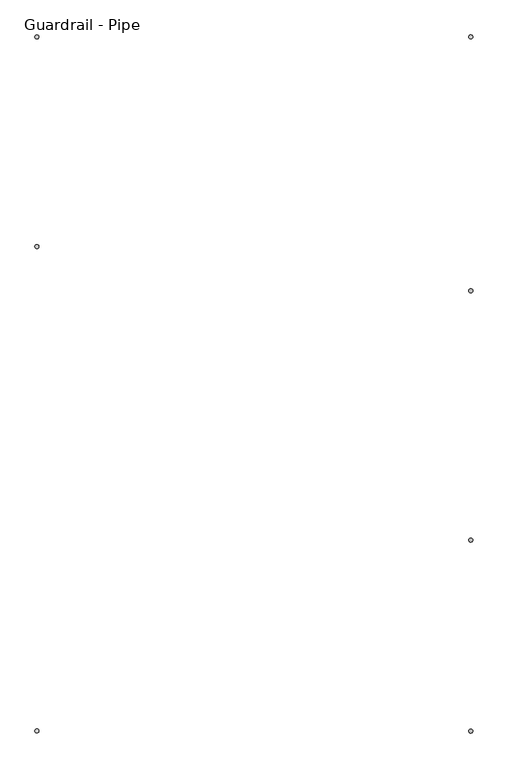
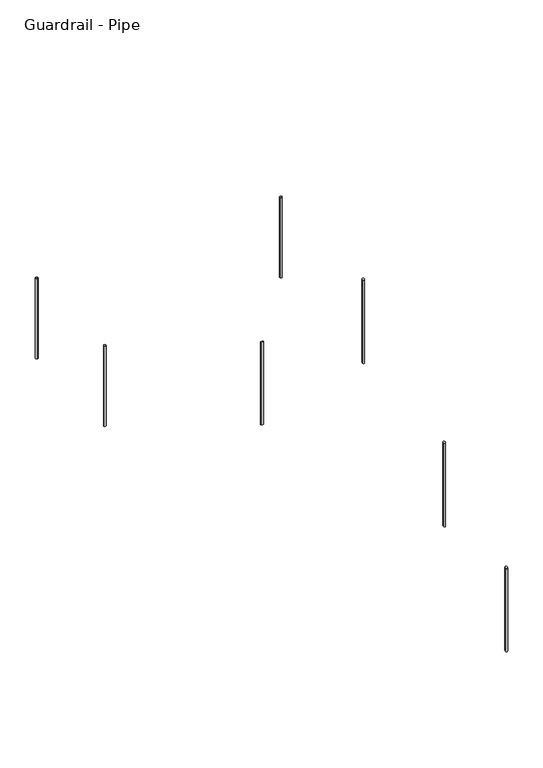
"""IFC4 building model written with IfcOpenShell, lengths in millimetres: railing geometry, Guardrail - Pipe."""

from ifc_helpers import new_model, si_unit, point, frame, frame_2d, origin, place, context, project, spatial, circle_curve, ellipse_curve, trimmed, segment, composite_curve, outline, extrude, source, transform, mapped, element, save
from ifc_brep_helpers import plane_surface, cylinder_surface, advanced_brep


def guardrail_pipe_f360fe3b(model_context):
    return source(origin(), model_context, "Body", "SolidModel", [
        advanced_brep(
        [(60740.4986844, -18630.4368097, 1956.0956228), (60740.4986844, -18630.4368097, 973.7736098), (60715.0986844, -18630.4368097, 973.7736098), (60715.0986844, -18630.4368097, 1956.0956228)],
        [
            (0, 1),
            (1, 2, ellipse_curve(frame((60727.7986844, -18630.4368097, 973.7736098), z_axis=(0.0, -0.5290079267977398, 0.8486168825713741), x_axis=(0.0, 0.8486168825713741, 0.5290079267977393)), 14.9655283, 12.7)),
            (2, 3),
            (3, 0, ellipse_curve(frame((60727.7986844, -18630.4368097, 1956.0956228), z_axis=(0.0, 0.5290079267977398, -0.848616882571374), x_axis=(0.0, 0.848616882571374, 0.5290079267977398)), 14.9655283, 12.7)),
            (0, 3, ellipse_curve(frame((60727.7986844, -18630.4368097, 1956.0956228), z_axis=(0.0, 0.5290079267977398, -0.848616882571374), x_axis=(0.0, 0.848616882571374, 0.5290079267977398)), 14.9655283, 12.7)),
            (2, 1, ellipse_curve(frame((60727.7986844, -18630.4368097, 973.7736098), z_axis=(0.0, -0.5290079267977398, 0.8486168825713741), x_axis=(0.0, 0.8486168825713741, 0.5290079267977393)), 14.9655283, 12.7)),
        ],
        [
            cylinder_surface(frame((60727.7986844, -18630.4368097, 745.1736098), z_axis=(0.0, 0.0, 1.0), x_axis=(-1.0, 0.0, 0.0)), 12.7),
            plane_surface(frame((60702.3986844, -18605.0368097, 1971.929389), z_axis=(0.0, -0.5290079267977398, 0.848616882571374), x_axis=(1.0, 0.0, 0.0))),
            plane_surface(frame((60702.3986844, -18655.8368097, 957.9398435), z_axis=(0.0, 0.5290079267977398, -0.8486168825713741), x_axis=(1.0, 0.0, 0.0))),
        ],
        [
            (0, [[1, 2, 3, 4]]),
            (0, [[-1, 5, -3, 6]]),
            (1, [[-4, -5]]),
            (2, [[-2, -6]]),
        ],
    ),
        extrude(outline(composite_curve([segment(trimmed(circle_curve(frame_2d((57984.2104639, -16776.2368097)), 12.7), [point((57996.9104639, -16776.2368097))], [point((57971.5104639, -16776.2368097))], False, "CARTESIAN"), True, "CONTINUOUS"), segment(trimmed(circle_curve(frame_2d((57984.2104639, -16776.2368097)), 12.7), [point((57971.5104639, -16776.2368097))], [point((57996.9104639, -16776.2368097))], False, "CARTESIAN"), True, "CONTINUOUS")], self_intersect=False)), frame((0.0, 0.0, 1992.0857143), z_axis=(0.0, 0.0, 1.0), x_axis=(1.0, 0.0, 0.0)), (0.0, 0.0, 1.0), 952.5),
        extrude(outline(composite_curve([segment(trimmed(circle_curve(frame_2d((57984.2104639, -15452.2618097)), 12.7), [point((57984.2104639, -15464.9618097))], [point((57984.2104639, -15439.5618097))], False, "CARTESIAN"), True, "CONTINUOUS"), segment(trimmed(circle_curve(frame_2d((57984.2104639, -15452.2618097)), 12.7), [point((57984.2104639, -15439.5618097))], [point((57984.2104639, -15464.9618097))], False, "CARTESIAN"), True, "CONTINUOUS")], self_intersect=False)), frame((0.0, 0.0, 1992.0857143), z_axis=(0.0, 0.0, 1.0), x_axis=(1.0, 0.0, 0.0)), (0.0, 0.0, 1.0), 952.5),
        extrude(outline(composite_curve([segment(trimmed(circle_curve(frame_2d((60727.7986844, -15452.2618097)), 12.7), [point((60715.0986844, -15452.2618097))], [point((60740.4986844, -15452.2618097))], False, "CARTESIAN"), True, "CONTINUOUS"), segment(trimmed(circle_curve(frame_2d((60727.7986844, -15452.2618097)), 12.7), [point((60740.4986844, -15452.2618097))], [point((60715.0986844, -15452.2618097))], False, "CARTESIAN"), True, "CONTINUOUS")], self_intersect=False)), frame((0.0, 0.0, 1992.0857143), z_axis=(0.0, 0.0, 1.0), x_axis=(1.0, 0.0, 0.0)), (0.0, 0.0, 1.0), 952.5),
        advanced_brep(
        [(60740.4986844, -17055.6368097, 2937.7891293), (60740.4986844, -17055.6368097, 1955.4671162), (60715.0986844, -17055.6368097, 1955.4671162), (60715.0986844, -17055.6368097, 2937.7891293)],
        [
            (0, 1),
            (1, 2, ellipse_curve(frame((60727.7986844, -17055.6368097, 1955.4671162), z_axis=(0.0, -0.5290079267977398, 0.8486168825713741), x_axis=(0.0, 0.8486168825713741, 0.5290079267977393)), 14.9655283, 12.7)),
            (2, 3),
            (3, 0, ellipse_curve(frame((60727.7986844, -17055.6368097, 2937.7891293), z_axis=(0.0, 0.5290079267977398, -0.848616882571374), x_axis=(0.0, 0.848616882571374, 0.5290079267977398)), 14.9655283, 12.7)),
            (0, 3, ellipse_curve(frame((60727.7986844, -17055.6368097, 2937.7891293), z_axis=(0.0, 0.5290079267977398, -0.848616882571374), x_axis=(0.0, 0.848616882571374, 0.5290079267977398)), 14.9655283, 12.7)),
            (2, 1, ellipse_curve(frame((60727.7986844, -17055.6368097, 1955.4671162), z_axis=(0.0, -0.5290079267977398, 0.8486168825713741), x_axis=(0.0, 0.8486168825713741, 0.5290079267977393)), 14.9655283, 12.7)),
        ],
        [
            cylinder_surface(frame((60727.7986844, -17055.6368097, 1726.8671162), z_axis=(0.0, 0.0, 1.0), x_axis=(-1.0, 0.0, 0.0)), 12.7),
            plane_surface(frame((60702.3986844, -17030.2368097, 2953.6228955), z_axis=(0.0, -0.5290079267977398, 0.848616882571374), x_axis=(1.0, 0.0, 0.0))),
            plane_surface(frame((60702.3986844, -17081.0368097, 1939.63335), z_axis=(0.0, 0.5290079267977398, -0.8486168825713741), x_axis=(1.0, 0.0, 0.0))),
        ],
        [
            (0, [[1, 2, 3, 4]]),
            (0, [[-1, 5, -3, 6]]),
            (1, [[-4, -5]]),
            (2, [[-2, -6]]),
        ],
    ),
        advanced_brep(
        [(57971.5104639, -19836.9368097, 4845.7579605), (57971.5104639, -19836.9368097, 3863.4359474), (57996.9104639, -19836.9368097, 3863.4359474), (57996.9104639, -19836.9368097, 4845.7579605)],
        [
            (0, 1),
            (1, 2, ellipse_curve(frame((57984.2104639, -19836.9368097, 3863.4359474), z_axis=(0.0, 0.5290079267977398, 0.8486168825713741), x_axis=(0.0, -0.8486168825713741, 0.5290079267977393)), 14.9655283, 12.7)),
            (2, 3),
            (3, 0, ellipse_curve(frame((57984.2104639, -19836.9368097, 4845.7579605), z_axis=(0.0, -0.5290079267977398, -0.848616882571374), x_axis=(0.0, -0.848616882571374, 0.5290079267977398)), 14.9655283, 12.7)),
            (0, 3, ellipse_curve(frame((57984.2104639, -19836.9368097, 4845.7579605), z_axis=(0.0, -0.5290079267977398, -0.848616882571374), x_axis=(0.0, -0.848616882571374, 0.5290079267977398)), 14.9655283, 12.7)),
            (2, 1, ellipse_curve(frame((57984.2104639, -19836.9368097, 3863.4359474), z_axis=(0.0, 0.5290079267977398, 0.8486168825713741), x_axis=(0.0, -0.8486168825713741, 0.5290079267977393)), 14.9655283, 12.7)),
        ],
        [
            cylinder_surface(frame((57984.2104639, -19836.9368097, 3634.8359474), z_axis=(0.0, 0.0, 1.0), x_axis=(1.0, 0.0, 0.0)), 12.7),
            plane_surface(frame((58009.6104639, -19862.3368097, 4861.5917267), z_axis=(0.0, 0.5290079267977398, 0.848616882571374), x_axis=(-1.0, 0.0, 0.0))),
            plane_surface(frame((58009.6104639, -19811.5368097, 3847.6021812), z_axis=(0.0, -0.5290079267977398, -0.8486168825713741), x_axis=(-1.0, 0.0, 0.0))),
        ],
        [
            (0, [[1, 2, 3, 4]]),
            (0, [[-1, 5, -3, 6]]),
            (1, [[-4, -5]]),
            (2, [[-2, -6]]),
        ],
    ),
        advanced_brep(
        [(60740.4986844, -19836.9368097, 1203.9917267), (60740.4986844, -19836.9368097, 221.6697137), (60715.0986844, -19836.9368097, 221.6697137), (60715.0986844, -19836.9368097, 1203.9917267)],
        [
            (0, 1),
            (1, 2, ellipse_curve(frame((60727.7986844, -19836.9368097, 221.6697137), z_axis=(0.0, -0.5290079267977398, 0.8486168825713741), x_axis=(0.0, 0.8486168825713741, 0.5290079267977393)), 14.9655283, 12.7)),
            (2, 3),
            (3, 0, ellipse_curve(frame((60727.7986844, -19836.9368097, 1203.9917267), z_axis=(0.0, 0.5290079267977398, -0.848616882571374), x_axis=(0.0, 0.848616882571374, 0.5290079267977398)), 14.9655283, 12.7)),
            (0, 3, ellipse_curve(frame((60727.7986844, -19836.9368097, 1203.9917267), z_axis=(0.0, 0.5290079267977398, -0.848616882571374), x_axis=(0.0, 0.848616882571374, 0.5290079267977398)), 14.9655283, 12.7)),
            (2, 1, ellipse_curve(frame((60727.7986844, -19836.9368097, 221.6697137), z_axis=(0.0, -0.5290079267977398, 0.8486168825713741), x_axis=(0.0, 0.8486168825713741, 0.5290079267977393)), 14.9655283, 12.7)),
        ],
        [
            cylinder_surface(frame((60727.7986844, -19836.9368097, -6.9302863), z_axis=(0.0, 0.0, 1.0), x_axis=(-1.0, 0.0, 0.0)), 12.7),
            plane_surface(frame((60702.3986844, -19811.5368097, 1219.8254929), z_axis=(0.0, -0.5290079267977398, 0.848616882571374), x_axis=(1.0, 0.0, 0.0))),
            plane_surface(frame((60702.3986844, -19862.3368097, 205.8359474), z_axis=(0.0, 0.5290079267977398, -0.8486168825713741), x_axis=(1.0, 0.0, 0.0))),
        ],
        [
            (0, [[1, 2, 3, 4]]),
            (0, [[-1, 5, -3, 6]]),
            (1, [[-4, -5]]),
            (2, [[-2, -6]]),
        ],
    ),
    ])


if __name__ == "__main__":
    model = new_model("IFC4")
    model_context = context("Model", 3, world=origin())
    ifc_project = project(units=[si_unit("LENGTHUNIT", "METRE", prefix="MILLI")], contexts=[model_context])
    site = spatial("IfcSite", under=ifc_project)
    building = spatial("IfcBuilding", under=site)
    placement = place(None, origin())
    guardrail_pipe_shape = guardrail_pipe_f360fe3b(model_context)
    element("IfcRailing", 1, ObjectType="Guardrail - Pipe", at=placement, inside=building, context=model_context, shape_type="MappedRepresentation", body=[
        mapped(guardrail_pipe_shape, transform((0.0, 0.0, 0.0), x_axis=(1.0, 0.0, 0.0), y_axis=(0.0, 1.0, 0.0), z_axis=(0.0, 0.0, 1.0))),
    ])
    save(model, "model.ifc")
